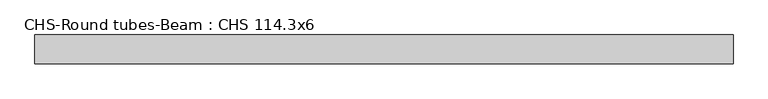
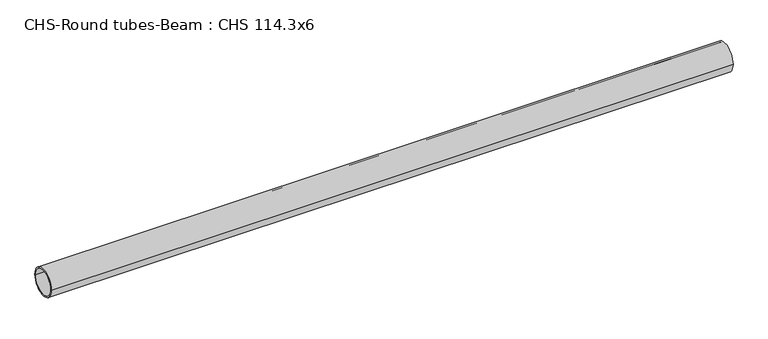
"""IFC4 building model written with IfcOpenShell, lengths in millimetres: beam geometry, CHS-Round tubes-Beam : CHS 114.3x6."""

from ifc_helpers import new_model, si_unit, point, frame, origin, origin_2d, place, context, project, spatial, circle_curve, trimmed, segment, composite_curve, outline, extrude, source, transform, mapped, element, save


def chs_round_tubes_beam_chs_114_3x6_8ee45f62(model_context):
    return source(origin(), model_context, "Body", "SweptSolid", [
        extrude(outline(composite_curve([segment(trimmed(circle_curve(origin_2d(), 57.15), [point((57.15, 0.0))], [point((-57.15, 0.0))], False, "CARTESIAN"), True, "CONTINUOUS"), segment(trimmed(circle_curve(origin_2d(), 57.15), [point((-57.15, 0.0))], [point((57.15, 0.0))], False, "CARTESIAN"), True, "CONTINUOUS")], self_intersect=False), holes=[composite_curve([segment(trimmed(circle_curve(origin_2d(), 51.15), [point((51.15, 0.0))], [point((-51.15, 0.0))], True, "CARTESIAN"), True, "CONTINUOUS"), segment(trimmed(circle_curve(origin_2d(), 51.15), [point((-51.15, 0.0))], [point((51.15, 0.0))], True, "CARTESIAN"), True, "CONTINUOUS")], self_intersect=False)]), frame((-1332.9744596, 0.0, 0.0), z_axis=(1.0, 0.0, 0.0), x_axis=(0.0, 1.0, 0.0)), (0.0, 0.0, 1.0), 2761.1265174),
    ])


if __name__ == "__main__":
    model = new_model("IFC4")
    model_context = context("Model", 3, world=origin())
    ifc_project = project(units=[si_unit("LENGTHUNIT", "METRE", prefix="MILLI")], contexts=[model_context])
    site = spatial("IfcSite", under=ifc_project)
    building = spatial("IfcBuilding", under=site)
    placement = place(None, origin())
    chs_round_tubes_beam_chs_114_3x6_shape = chs_round_tubes_beam_chs_114_3x6_8ee45f62(model_context)
    element("IfcBeam", 1, ObjectType="CHS-Round tubes-Beam : CHS 114.3x6", at=placement, inside=building, context=model_context, shape_type="MappedRepresentation", body=[
        mapped(chs_round_tubes_beam_chs_114_3x6_shape, transform((0.0, 0.0, 0.0), x_axis=(1.0, 0.0, 0.0), y_axis=(0.0, 1.0, 0.0), z_axis=(0.0, 0.0, 1.0))),
    ])
    save(model, "model.ifc")
